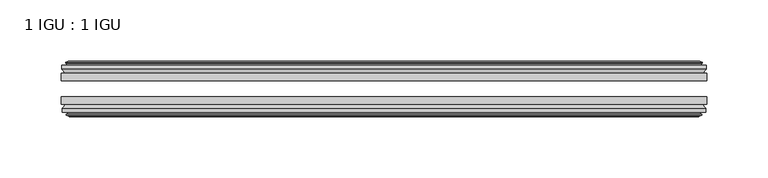
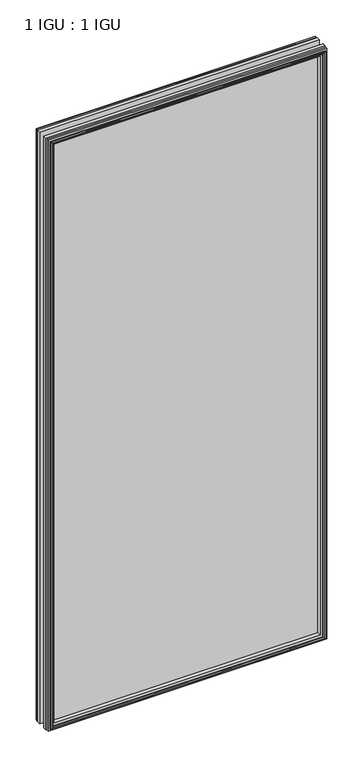
"""IFC4 building model written with IfcOpenShell, lengths in millimetres: plate geometry, 1 IGU : 1 IGU."""

from ifc_helpers import new_model, si_unit, frame, origin, place, context, project, spatial, polyline, outline, extrude, faceted_brep, source, transform, mapped, element, save


def plate_1_igu_1_igu_5fd4f6cb(model_context):
    return source(origin(), model_context, "Body", "SolidModel", [
        extrude(outline(polyline([(263.5249999, -19.5460937), (263.5249999, -25.8960938), (-263.5249999, -25.8960938), (-263.5249999, -19.5460937), (263.5249999, -19.5460937)])), frame((0.0, 0.0, -12.7), z_axis=(0.0, 0.0, 1.0), x_axis=(1.0, 0.0, 0.0)), (0.0, 0.0, 1.0), 1181.0999996),
        extrude(outline(polyline([(-263.5249999, -44.9460938), (-263.5249999, -38.9186737), (263.5249999, -38.9186737), (263.5249999, -44.9460938), (-263.5249999, -44.9460938)])), frame((0.0, 0.0, -12.7), z_axis=(0.0, 0.0, 1.0), x_axis=(1.0, 0.0, 0.0)), (0.0, 0.0, 1.0), 1181.0999996),
        faceted_brep([(-257.9369999, -53.6762907, 1162.8119996), (-258.3179999, -51.2960937, 1163.1929996), (-258.3179999, -51.2960937, -7.493), (-257.9369999, -53.6762907, -7.112), (-259.3525289, -53.2163575, 1164.2275287), (-259.3525289, -53.2163575, -8.5275291), (-259.3525289, -54.0175717, 1164.2275287), (-259.3525289, -54.0175717, -8.5275291), (-257.1749999, -54.7250937, 1162.0499996), (-257.1749999, -54.7250937, -6.35), (-254.9974708, -54.0175717, 1159.8724706), (-254.9974708, -54.0175717, -4.1724709), (-254.9974708, -53.2163575, 1159.8724706), (-254.9974708, -53.2163575, -4.1724709), (-256.4129999, -53.6762907, 1161.2879996), (-256.4129999, -53.6762907, -5.588), (-256.0319999, -51.2960937, 1160.9069996), (-256.0319999, -51.2960937, -5.207), (-249.1072818, -44.9460937, 1153.9822816), (-250.8249999, -51.2960937, 1155.6999996), (-250.8249999, -51.2960937, 0.0), (-249.1072818, -44.9460937, 1.7177181), (-262.7629999, -48.3496937, 1167.6379996), (-259.9286577, -44.9460937, 1164.8036575), (-259.9286577, -44.9460937, -9.1036578), (-262.7629999, -48.3496937, -11.938), (-262.7629999, -51.2960937, 1167.6379996), (-262.7629999, -51.2960937, -11.938), (258.3179999, -51.2960938, -7.493), (257.9369999, -53.6762907, -7.112), (259.3525289, -53.2163575, -8.5275291), (259.3525289, -54.0175717, -8.5275291), (257.1749999, -54.7250937, -6.35), (254.9974708, -54.0175717, -4.1724709), (254.9974708, -53.2163575, -4.1724709), (256.4129999, -53.6762907, -5.588), (256.0319999, -51.2960937, -5.207), (250.8249999, -51.2960937, 0.0), (249.1072818, -44.9460937, 1.7177181), (259.9286577, -44.9460937, -9.1036578), (262.7629999, -48.3496937, -11.938), (262.7629999, -51.2960938, -11.938), (258.3179999, -51.2960938, 1163.1929996), (257.9369999, -53.6762907, 1162.8119996), (259.3525289, -53.2163575, 1164.2275287), (259.3525289, -54.0175717, 1164.2275287), (257.1749999, -54.7250937, 1162.0499996), (254.9974708, -54.0175717, 1159.8724706), (254.9974708, -53.2163575, 1159.8724706), (256.4129999, -53.6762907, 1161.2879996), (256.0319999, -51.2960937, 1160.9069996), (250.8249999, -51.2960937, 1155.6999996), (249.1072818, -44.9460937, 1153.9822816), (259.9286577, -44.9460937, 1164.8036575), (262.7629999, -48.3496937, 1167.6379996), (262.7629999, -51.2960938, 1167.6379996)], [[[0, 1, 2, 3]], [[4, 0, 3, 5]], [[6, 4, 5, 7]], [[8, 6, 7, 9]], [[10, 8, 9, 11]], [[12, 10, 11, 13]], [[14, 12, 13, 15]], [[16, 14, 15, 17]], [[18, 19, 20, 21]], [[22, 23, 24, 25]], [[26, 22, 25, 27]], [[3, 2, 28, 29]], [[5, 3, 29, 30]], [[7, 5, 30, 31]], [[9, 7, 31, 32]], [[11, 9, 32, 33]], [[13, 11, 33, 34]], [[15, 13, 34, 35]], [[17, 15, 35, 36]], [[21, 20, 37, 38]], [[25, 24, 39, 40]], [[27, 25, 40, 41]], [[29, 28, 42, 43]], [[30, 29, 43, 44]], [[31, 30, 44, 45]], [[32, 31, 45, 46]], [[33, 32, 46, 47]], [[34, 33, 47, 48]], [[35, 34, 48, 49]], [[36, 35, 49, 50]], [[38, 37, 51, 52]], [[40, 39, 53, 54]], [[41, 40, 54, 55]], [[27, 41, 55, 26], [1, 42, 28, 2]], [[43, 42, 1, 0]], [[44, 43, 0, 4]], [[45, 44, 4, 6]], [[46, 45, 6, 8]], [[47, 46, 8, 10]], [[48, 47, 10, 12]], [[49, 48, 12, 14]], [[50, 49, 14, 16]], [[17, 36, 50, 16], [19, 51, 37, 20]], [[52, 51, 19, 18]], [[23, 53, 39, 24], [21, 38, 52, 18]], [[54, 53, 23, 22]], [[55, 54, 22, 26]]]),
        faceted_brep([(-260.4493577, -19.5460937, 1165.3243575), (-263.2836999, -16.1424937, 1168.1586996), (-263.2836999, -16.1424937, -12.4587), (-260.4493577, -19.5460937, -9.6243578), (-251.3456999, -13.1960937, 1156.2206996), (-249.6279818, -19.5460937, 1154.5029816), (-249.6279818, -19.5460937, 1.1970181), (-251.3456999, -13.1960937, -0.5207), (-256.9336999, -10.8158968, 1161.8086996), (-256.5526999, -13.1960937, 1161.4276996), (-256.5526999, -13.1960937, -5.7277), (-256.9336999, -10.8158968, -6.1087), (-255.5181708, -11.27583, 1160.3931706), (-255.5181708, -11.27583, -4.6931709), (-255.5181708, -10.4746158, 1160.3931706), (-255.5181708, -10.4746158, -4.6931709), (-257.6956999, -9.7670937, 1162.5706996), (-257.6956999, -9.7670937, -6.8707), (-259.8732289, -10.4746158, 1164.7482287), (-259.8732289, -10.4746158, -9.0482291), (-259.8732289, -11.27583, 1164.7482287), (-259.8732289, -11.27583, -9.0482291), (-258.4576999, -10.8158968, 1163.3326996), (-258.4576999, -10.8158968, -7.6327), (-258.8386999, -13.1960937, 1163.7136996), (-258.8386999, -13.1960937, -8.0137), (-263.2836999, -13.1960937, 1168.1586996), (-263.2836999, -13.1960937, -12.4587), (263.2836999, -16.1424937, -12.4587), (260.4493577, -19.5460937, -9.6243578), (249.6279818, -19.5460937, 1.1970181), (251.3456999, -13.1960937, -0.5207), (256.5526999, -13.1960937, -5.7277), (256.9336999, -10.8158968, -6.1087), (255.5181708, -11.27583, -4.6931709), (255.5181708, -10.4746158, -4.6931709), (257.6956999, -9.7670937, -6.8707), (259.8732289, -10.4746158, -9.0482291), (259.8732289, -11.27583, -9.0482291), (258.4576999, -10.8158968, -7.6327), (258.8386999, -13.1960937, -8.0137), (263.2836999, -13.1960937, -12.4587), (263.2836999, -16.1424937, 1168.1586996), (260.4493577, -19.5460937, 1165.3243575), (249.6279818, -19.5460937, 1154.5029816), (251.3456999, -13.1960937, 1156.2206996), (256.5526999, -13.1960937, 1161.4276996), (256.9336999, -10.8158968, 1161.8086996), (255.5181708, -11.27583, 1160.3931706), (255.5181708, -10.4746158, 1160.3931706), (257.6956999, -9.7670937, 1162.5706996), (259.8732289, -10.4746158, 1164.7482287), (259.8732289, -11.27583, 1164.7482287), (258.4576999, -10.8158968, 1163.3326996), (258.8386999, -13.1960937, 1163.7136996), (263.2836999, -13.1960937, 1168.1586996)], [[[0, 1, 2, 3]], [[4, 5, 6, 7]], [[8, 9, 10, 11]], [[12, 8, 11, 13]], [[14, 12, 13, 15]], [[16, 14, 15, 17]], [[18, 16, 17, 19]], [[20, 18, 19, 21]], [[22, 20, 21, 23]], [[24, 22, 23, 25]], [[1, 26, 27, 2]], [[3, 2, 28, 29]], [[7, 6, 30, 31]], [[11, 10, 32, 33]], [[13, 11, 33, 34]], [[15, 13, 34, 35]], [[17, 15, 35, 36]], [[19, 17, 36, 37]], [[21, 19, 37, 38]], [[23, 21, 38, 39]], [[25, 23, 39, 40]], [[2, 27, 41, 28]], [[29, 28, 42, 43]], [[31, 30, 44, 45]], [[33, 32, 46, 47]], [[34, 33, 47, 48]], [[35, 34, 48, 49]], [[36, 35, 49, 50]], [[37, 36, 50, 51]], [[38, 37, 51, 52]], [[39, 38, 52, 53]], [[40, 39, 53, 54]], [[28, 41, 55, 42]], [[43, 42, 1, 0]], [[3, 29, 43, 0], [5, 44, 30, 6]], [[45, 44, 5, 4]], [[9, 46, 32, 10], [7, 31, 45, 4]], [[47, 46, 9, 8]], [[48, 47, 8, 12]], [[49, 48, 12, 14]], [[50, 49, 14, 16]], [[51, 50, 16, 18]], [[52, 51, 18, 20]], [[53, 52, 20, 22]], [[54, 53, 22, 24]], [[26, 55, 41, 27], [25, 40, 54, 24]], [[42, 55, 26, 1]]]),
    ])


if __name__ == "__main__":
    model = new_model("IFC4")
    model_context = context("Model", 3, world=origin())
    ifc_project = project(units=[si_unit("LENGTHUNIT", "METRE", prefix="MILLI")], contexts=[model_context])
    site = spatial("IfcSite", under=ifc_project)
    building = spatial("IfcBuilding", under=site)
    placement = place(None, origin())
    plate_1_igu_1_igu_shape = plate_1_igu_1_igu_5fd4f6cb(model_context)
    element("IfcPlate", 1, ObjectType="1 IGU : 1 IGU", at=placement, inside=building, context=model_context, shape_type="MappedRepresentation", body=[
        mapped(plate_1_igu_1_igu_shape, transform((0.0, 0.0, 0.0), x_axis=(1.0, 0.0, 0.0), y_axis=(0.0, 1.0, 0.0), z_axis=(0.0, 0.0, 1.0))),
    ])
    save(model, "model.ifc")
